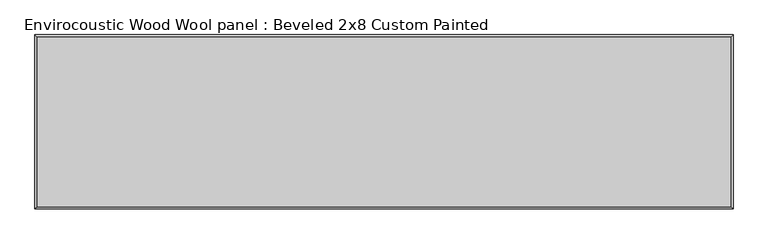
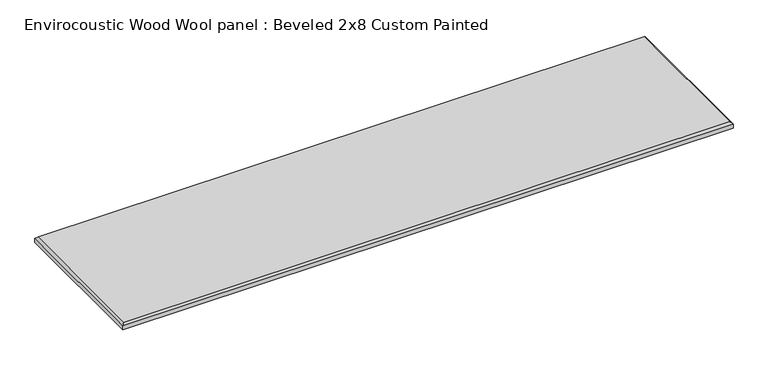
"""IFC4 building model written with IfcOpenShell, lengths in millimetres: proxy geometry, Envirocoustic Wood Wool panel : Beveled 2x8 Custom Painted."""

from ifc_helpers import new_model, si_unit, origin, place, context, project, spatial, faceted_brep, source, transform, mapped, element, save


def envirocoustic_wood_wool_panel_beveled_2x8_custom_painted_c7b477dd(model_context):
    return source(origin(), model_context, "Body", "Brep", [
        faceted_brep([(1211.199, 296.799, 25.4), (-1211.199, 296.799, 25.4), (-1211.199, -296.799, 25.4), (1211.199, -296.799, 25.4), (-1219.2, 304.8, 0.0), (1219.2, 304.8, 0.0), (1219.2, -304.8, 0.0), (-1219.2, -304.8, 0.0), (-1219.2, -304.8, 17.399), (-1219.2, 304.8, 17.399), (1219.2, -304.8, 17.399), (1219.2, 304.8, 17.399)], [[[0, 1, 2, 3]], [[4, 5, 6, 7]], [[4, 7, 8, 9]], [[7, 6, 10, 8]], [[6, 5, 11, 10]], [[5, 4, 9, 11]], [[9, 1, 0, 11]], [[1, 9, 8, 2]], [[2, 8, 10, 3]], [[11, 0, 3, 10]]]),
    ])


if __name__ == "__main__":
    model = new_model("IFC4")
    model_context = context("Model", 3, world=origin())
    ifc_project = project(units=[si_unit("LENGTHUNIT", "METRE", prefix="MILLI")], contexts=[model_context])
    site = spatial("IfcSite", under=ifc_project)
    building = spatial("IfcBuilding", under=site)
    placement = place(None, origin())
    envirocoustic_wood_wool_panel_beveled_2x8_custom_painted_shape = envirocoustic_wood_wool_panel_beveled_2x8_custom_painted_c7b477dd(model_context)
    element("IfcBuildingElementProxy", 1, Name="Envirocoustic Wood Wool panel : Beveled 2x8 Custom Painted", ObjectType="Envirocoustic Wood Wool panel : Beveled 2x8 Custom Painted", at=placement, inside=building, context=model_context, shape_type="MappedRepresentation", body=[
        mapped(envirocoustic_wood_wool_panel_beveled_2x8_custom_painted_shape, transform((0.0, 0.0, 0.0), x_axis=(1.0, 0.0, 0.0), y_axis=(0.0, 1.0, 0.0), z_axis=(0.0, 0.0, 1.0))),
    ])
    save(model, "model.ifc")
